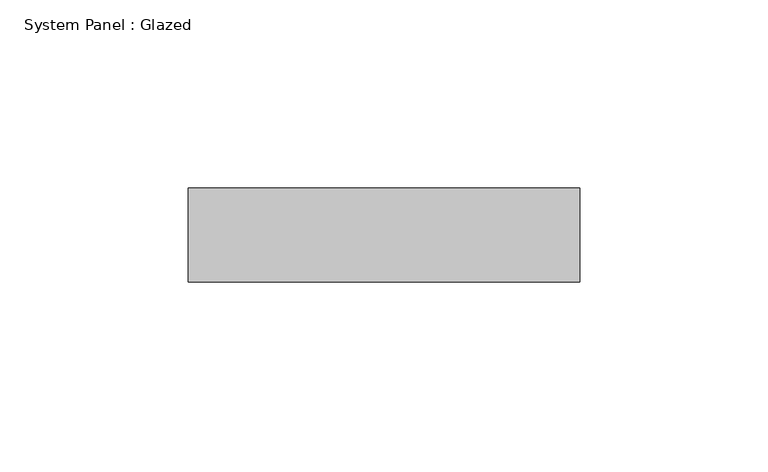
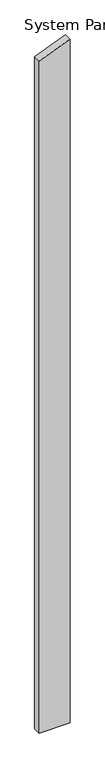
"""IFC4 building model written with IfcOpenShell, lengths in millimetres: plate geometry, System Panel : Glazed."""

from ifc_helpers import new_model, si_unit, frame, origin, place, context, project, spatial, polyline, outline, extrude, source, transform, mapped, element, save


def system_panel_glazed_39e1e4ca(model_context):
    return source(origin(), model_context, "Body", "SweptSolid", [
        extrude(outline(polyline([(0.0, -52.0000001), (0.0, 52.0000001), (2430.0847458, 52.0000001), (2388.6610168, -52.0000001), (0.0, -52.0000001)])), frame((0.0, 24.5, 0.0), z_axis=(0.0, 1.0, 0.0), x_axis=(0.0, 0.0, 1.0)), (0.0, 0.0, 1.0), 25.0),
    ])


if __name__ == "__main__":
    model = new_model("IFC4")
    model_context = context("Model", 3, world=origin())
    ifc_project = project(units=[si_unit("LENGTHUNIT", "METRE", prefix="MILLI")], contexts=[model_context])
    site = spatial("IfcSite", under=ifc_project)
    building = spatial("IfcBuilding", under=site)
    placement = place(None, origin())
    system_panel_glazed_shape = system_panel_glazed_39e1e4ca(model_context)
    element("IfcPlate", 1, ObjectType="System Panel : Glazed", at=placement, inside=building, context=model_context, shape_type="MappedRepresentation", body=[
        mapped(system_panel_glazed_shape, transform((0.0, 0.0, 0.0), x_axis=(1.0, 0.0, 0.0), y_axis=(0.0, 1.0, 0.0), z_axis=(0.0, 0.0, 1.0))),
    ])
    save(model, "model.ifc")
